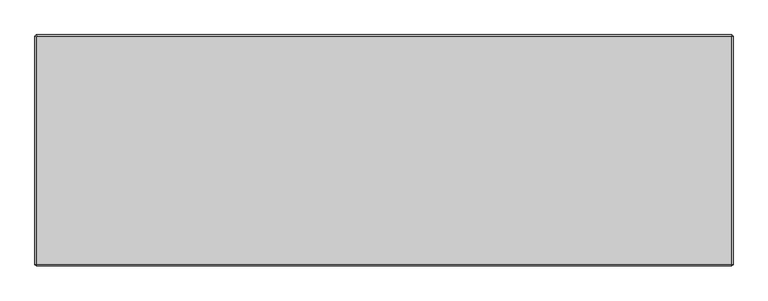
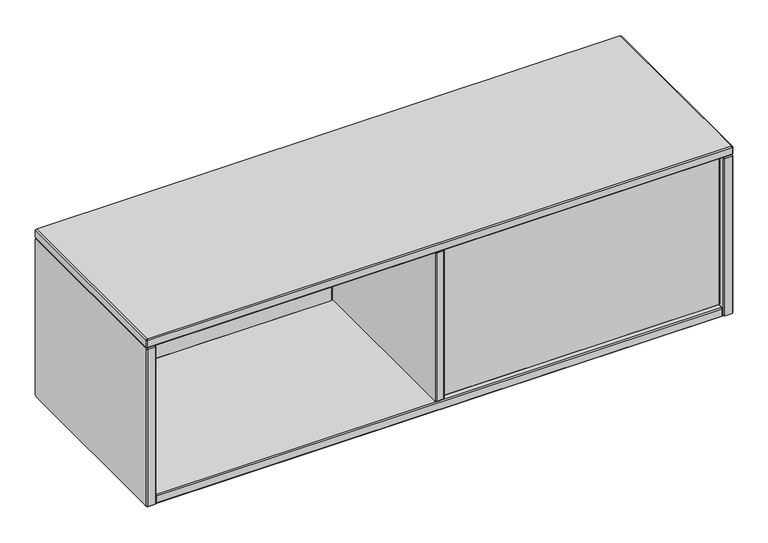
"""IFC4 building model written with IfcOpenShell, lengths in millimetres: furniture geometry."""

from ifc_helpers import new_model, si_unit, origin, place, context, project, spatial, faceted_brep, source, transform, mapped, element, save


def furniture_8cef0e5a(model_context):
    return source(origin(), model_context, "Body", "Brep", [
        faceted_brep([(621.029997, -211.044618, 975.4882749), (623.0620027, -209.0126123, 976.3299592), (623.9093, -209.0126135, 975.4826604), (623.0676165, -211.044618, 973.4506555), (623.0676165, -226.2846087, 973.4506555), (621.029997, -226.2846087, 975.4882749), (623.9093008, -228.3166144, 975.4826612), (623.0620019, -228.3166132, 976.3299584), (1196.6344233, -209.0126135, 975.48266), (1197.4761077, -211.044618, 973.4506555), (1197.4761077, -226.2846087, 973.4506555), (1196.6344233, -228.3166144, 975.4826612), (1197.4830011, -209.0126135, 976.3312373), (1199.515006, -211.044618, 975.4895538), (1199.515006, -226.2846087, 975.4895538), (1197.4830003, -228.3166144, 976.3312381), (1197.4830014, -209.0126135, 1301.0848402), (1199.515006, -211.044618, 1301.9265245), (1199.515006, -226.2846087, 1301.9265245), (1197.4830003, -228.3166144, 1301.0848402), (1196.6357129, -209.0126135, 1301.9321292), (1197.4773964, -211.044618, 1303.9641341), (1197.4773964, -226.2846087, 1303.9641341), (1196.6357121, -228.3166144, 1301.9321284), (623.908012, -209.0126135, 1301.9321295), (623.0663277, -211.044618, 1303.9641341), (623.0663277, -226.2846087, 1303.9641341), (623.908012, -228.3166144, 1301.9321284), (623.0620019, -209.0126135, 1301.0861198), (621.029997, -211.044618, 1301.9278034), (621.029997, -226.2846087, 1301.9278034), (623.0620027, -228.3166144, 1301.086119)], [[[0, 1, 2, 3]], [[0, 3, 4, 5]], [[5, 4, 6, 7]], [[3, 2, 8, 9]], [[4, 3, 9, 10]], [[6, 4, 10, 11]], [[9, 8, 12, 13]], [[10, 9, 13, 14]], [[11, 10, 14, 15]], [[13, 12, 16, 17]], [[14, 13, 17, 18]], [[15, 14, 18, 19]], [[17, 16, 20, 21]], [[18, 17, 21, 22]], [[19, 18, 22, 23]], [[21, 20, 24, 25]], [[22, 21, 25, 26]], [[23, 22, 26, 27]], [[25, 24, 28, 29]], [[26, 25, 29, 30]], [[27, 26, 30, 31]], [[1, 0, 29, 28]], [[0, 5, 30, 29]], [[5, 7, 31, 30]], [[2, 1, 28, 24, 20, 16, 12, 8]], [[7, 6, 11, 15, 19, 23, 27, 31]]]),
        faceted_brep([(19.684994, 148.8452595, 975.4882749), (21.7169997, 150.8772652, 976.3299592), (22.5642978, 150.8772652, 975.4826612), (21.7226135, 148.8452595, 973.4506555), (21.7226135, 133.6052689, 973.4506555), (19.684994, 133.6052689, 975.4882749), (22.5642978, 131.5732632, 975.4826612), (21.7169981, 131.5732654, 976.3299576), (598.8454203, 150.8772652, 975.4826612), (599.6871047, 148.8452595, 973.4506555), (599.6871047, 133.6052689, 973.4506555), (598.8454203, 131.5732632, 975.4826612), (599.6939973, 150.8772652, 976.3312381), (601.726003, 148.8452595, 975.4895538), (601.726003, 133.6052689, 975.4895538), (599.6939973, 131.5732632, 976.3312381), (599.6939973, 150.8772652, 1301.0848402), (601.726003, 148.8452595, 1301.9265245), (601.726003, 133.6052689, 1301.9265245), (599.6939973, 131.5732632, 1301.0848402), (598.8467091, 150.8772652, 1301.9321284), (599.6883934, 148.8452595, 1303.9641341), (599.6883934, 133.6052689, 1303.9641341), (598.8467091, 131.5732632, 1301.9321284), (22.5630091, 150.8772652, 1301.9321284), (21.7213247, 148.8452595, 1303.9641341), (21.7213247, 133.6052689, 1303.9641341), (22.5630091, 131.5732632, 1301.9321284), (21.7169997, 150.8772652, 1301.086119), (19.684994, 148.8452595, 1301.9278034), (19.684994, 133.6052689, 1301.9278034), (21.7169997, 131.5732632, 1301.086119)], [[[0, 1, 2, 3]], [[0, 3, 4, 5]], [[5, 4, 6, 7]], [[3, 2, 8, 9]], [[4, 3, 9, 10]], [[6, 4, 10, 11]], [[9, 8, 12, 13]], [[10, 9, 13, 14]], [[11, 10, 14, 15]], [[13, 12, 16, 17]], [[14, 13, 17, 18]], [[15, 14, 18, 19]], [[17, 16, 20, 21]], [[18, 17, 21, 22]], [[19, 18, 22, 23]], [[21, 20, 24, 25]], [[22, 21, 25, 26]], [[23, 22, 26, 27]], [[25, 24, 28, 29]], [[26, 25, 29, 30]], [[27, 26, 30, 31]], [[1, 0, 29, 28]], [[0, 5, 30, 29]], [[5, 7, 31, 30]], [[2, 1, 28, 24, 20, 16, 12, 8]], [[7, 6, 11, 15, 19, 23, 27, 31]]]),
        faceted_brep([(0.381, 160.1899826, 1301.9321289), (0.381, 161.0359948, 1301.0861167), (0.381, 161.0359948, 959.0585981), (0.381, 158.1641576, 956.1805146), (0.381, -237.6617899, 956.1773915), (0.381, -238.507861, 957.0234626), (0.381, -238.5047378, 1301.0861258), (0.381, -237.6587347, 1301.9321289), (19.6849994, 161.035991, 1301.0861129), (19.6849994, 160.1899788, 1301.9321251), (19.6849994, -237.6587347, 1301.9321235), (19.6849994, -238.504734, 1301.086122), (19.6849994, -238.5047325, 957.0265857), (19.6849994, -237.6649092, 956.1805184), (19.6849994, 158.1610344, 956.1773968), (19.6849994, 161.0391141, 959.0554788), (2.4130052, 163.068, 1301.9278008), (2.4130052, 161.0316667, 1303.9641341), (17.6529888, 161.0316667, 1303.9641341), (17.6529888, 163.068, 1301.9278008), (2.4130052, -238.5004189, 1303.9641341), (17.6529888, -238.5004189, 1303.9641341), (2.4130052, -240.5367431, 1301.9278099), (17.6529888, -240.5367431, 1301.9278099), (2.4130052, -240.5367431, 956.1786553), (17.6529888, -240.5367431, 956.1786553), (2.4130052, -238.503474, 954.1453862), (17.6529888, -238.503474, 954.1453862), (2.4130052, 159.0027185, 954.1453862), (17.6529888, 159.0027185, 954.1453862), (2.4130052, 163.068, 958.2106677), (17.6529888, 163.068, 958.2106677)], [[[0, 1, 2, 3, 4, 5, 6, 7]], [[8, 9, 10, 11, 12, 13, 14, 15]], [[16, 1, 0, 17]], [[16, 17, 18, 19]], [[19, 18, 9, 8]], [[17, 0, 7, 20]], [[18, 17, 20, 21]], [[9, 18, 21, 10]], [[20, 7, 6, 22]], [[21, 20, 22, 23]], [[10, 21, 23, 11]], [[22, 6, 5, 24]], [[23, 22, 24, 25]], [[11, 23, 25, 12]], [[24, 5, 4, 26]], [[25, 24, 26, 27]], [[12, 25, 27, 13]], [[26, 4, 3, 28]], [[27, 26, 28, 29]], [[13, 27, 29, 14]], [[28, 3, 2, 30]], [[29, 28, 30, 31]], [[14, 29, 31, 15]], [[1, 16, 30, 2]], [[16, 19, 31, 30]], [[19, 8, 15, 31]]]),
        faceted_brep([(621.0300073, 159.0039823, 1301.0861094), (621.0300073, 158.1579701, 1301.9321216), (621.0300073, -235.5967084, 1301.9321186), (621.0300073, -236.4427043, 1301.0854873), (621.0300073, -236.4420701, 976.3256086), (621.0300073, -235.5994407, 975.4829835), (621.0300073, 156.1290292, 975.4826709), (621.0300073, 159.0039823, 978.3576283), (601.7253716, 158.157531, 1301.9316824), (601.7253716, 159.0035431, 1301.0856703), (601.7253716, 159.0033582, 978.357621), (601.7253716, 156.1285828, 975.4831071), (601.7253716, -235.5991324, 975.483292), (601.7253716, -236.4413183, 976.3257395), (601.7253716, -236.441449, 1301.0861258), (601.7253716, -235.5959464, 1301.9313668), (603.7580082, 161.0359948, 1301.9278008), (603.7580082, 158.9996615, 1303.9641341), (618.9979918, 158.9996615, 1303.9641341), (618.9979918, 161.0359948, 1301.9278008), (603.7580082, -236.4377614, 1303.9641341), (618.9979918, -236.4377614, 1303.9641341), (603.7580082, -238.4740856, 1301.9278099), (618.9979918, -238.4740856, 1301.9278099), (603.7580082, -238.4740856, 975.4839245), (618.9979918, -238.4740856, 975.4839245), (603.7580082, -236.4408165, 973.4506555), (618.9979918, -236.4408165, 973.4506555), (603.7580082, 156.9707133, 973.4506555), (618.9979918, 156.9707133, 973.4506555), (603.7580082, 161.0359948, 977.5159369), (618.9979918, 161.0359948, 977.5159369)], [[[0, 1, 2, 3, 4, 5, 6, 7]], [[8, 9, 10, 11, 12, 13, 14, 15]], [[16, 9, 8, 17]], [[16, 17, 18, 19]], [[19, 18, 1, 0]], [[17, 8, 15, 20]], [[18, 17, 20, 21]], [[1, 18, 21, 2]], [[20, 15, 14, 22]], [[21, 20, 22, 23]], [[2, 21, 23, 3]], [[22, 14, 13, 24]], [[23, 22, 24, 25]], [[3, 23, 25, 4]], [[24, 13, 12, 26]], [[25, 24, 26, 27]], [[4, 25, 27, 5]], [[26, 12, 11, 28]], [[27, 26, 28, 29]], [[5, 27, 29, 6]], [[28, 11, 10, 30]], [[29, 28, 30, 31]], [[6, 29, 31, 7]], [[9, 16, 30, 10]], [[16, 19, 31, 30]], [[19, 0, 7, 31]]]),
        faceted_brep([(1216.7869948, 163.0679927, 1301.9277978), (1201.5470112, 163.0679927, 1301.9277978), (1201.5470112, 161.0316637, 1303.9641268), (1216.7869948, 161.0316637, 1303.9641268), (1201.5470112, -238.5004158, 1303.9641268), (1216.7869948, -238.5004158, 1303.9641268), (1201.5470112, -240.5367358, 1301.9278069), (1216.7869948, -240.5367358, 1301.9278069), (1201.5470112, -240.5367358, 956.1730446), (1216.7869948, -240.5367358, 956.1730446), (1201.5470112, -238.503471, 954.1397798), (1216.7869948, -238.503471, 954.1397798), (1201.5470112, 159.0027155, 954.1397798), (1216.7869948, 159.0027155, 954.1397798), (1201.5470112, 163.0679927, 958.205057), (1216.7869948, 163.0679927, 958.205057), (1218.819, 160.1899796, 1301.9321216), (1218.819, 161.0359875, 1301.0861137), (1199.515006, 161.0359875, 1301.0861137), (1199.5150097, 160.1899822, 1301.9321242), (1218.819, -237.6587317, 1301.9321216), (1199.5150097, -237.6587317, 1301.9321253), (1218.819, -238.5047305, 1301.0861227), (1199.5150097, -238.5047332, 1301.0861254), (1218.819, -238.5047305, 957.0147287), (1199.5150097, -238.5047343, 957.0147287), (1218.819, -237.6617868, 956.171785), (1199.5150097, -237.6617895, 956.1717824), (1218.819, 158.1610314, 956.171785), (1199.5150097, 158.1610314, 956.1717813), (1218.819, 161.0359875, 959.0467411), (1199.5150097, 161.0359901, 959.0467385)], [[[0, 1, 2, 3]], [[3, 2, 4, 5]], [[5, 4, 6, 7]], [[7, 6, 8, 9]], [[9, 8, 10, 11]], [[11, 10, 12, 13]], [[13, 12, 14, 15]], [[1, 0, 15, 14]], [[0, 3, 16, 17]], [[2, 1, 18, 19]], [[3, 5, 20, 16]], [[4, 2, 19, 21]], [[5, 7, 22, 20]], [[6, 4, 21, 23]], [[7, 9, 24, 22]], [[8, 6, 23, 25]], [[9, 11, 26, 24]], [[10, 8, 25, 27]], [[11, 13, 28, 26]], [[12, 10, 27, 29]], [[13, 15, 30, 28]], [[14, 12, 29, 31]], [[15, 0, 17, 30]], [[1, 14, 31, 18]], [[19, 18, 31, 29, 27, 25, 23, 21]], [[17, 16, 20, 22, 24, 26, 28, 30]]]),
        faceted_brep([(2.4142691, 160.1937872, 1303.9641341), (0.381, 161.0359948, 1305.9974031), (2.4130052, 163.068, 1305.9974031), (3.2552128, 161.0347309, 1303.9641341), (0.381, 161.0359948, 1321.2305205), (2.4142691, 160.1937872, 1323.2637895), (3.2552128, 161.0347309, 1323.2637895), (2.4130052, 163.068, 1321.2305205), (1216.7869875, 163.068, 1305.9974031), (1215.9447799, 161.0347309, 1303.9641341), (1215.9447799, 161.0347309, 1323.2637895), (1216.7869875, 163.068, 1321.2305205), (1218.819, 161.0359875, 1305.9974031), (1216.7857309, 160.1937799, 1303.9641341), (1216.7857309, 160.1937799, 1323.2637895), (1218.819, 161.0359875, 1321.2305205), (1218.819, -238.5047363, 1305.9974031), (1216.7857309, -237.6625286, 1303.9641341), (1216.7857309, -237.6625286, 1323.2637895), (1218.819, -238.5047363, 1321.2305205), (1216.7869932, -240.5367431, 1305.9974031), (1215.9447856, -238.503474, 1303.9641341), (1215.9447856, -238.503474, 1323.2637895), (1216.7869932, -240.5367431, 1321.2305205), (2.413, -240.5367431, 1305.9974031), (3.2552076, -238.503474, 1303.9641341), (3.2552076, -238.503474, 1323.2637895), (2.413, -240.5367431, 1321.2305205), (0.381, -238.5047431, 1305.9974031), (2.4142691, -237.6625355, 1303.9641341), (2.4142691, -237.6625355, 1323.2637895), (0.381, -238.5047431, 1321.2305205)], [[[0, 1, 2, 3]], [[4, 5, 6, 7]], [[2, 1, 4, 7]], [[3, 2, 8, 9]], [[7, 6, 10, 11]], [[2, 7, 11, 8]], [[9, 8, 12, 13]], [[11, 10, 14, 15]], [[8, 11, 15, 12]], [[13, 12, 16, 17]], [[15, 14, 18, 19]], [[12, 15, 19, 16]], [[17, 16, 20, 21]], [[19, 18, 22, 23]], [[16, 19, 23, 20]], [[21, 20, 24, 25]], [[23, 22, 26, 27]], [[20, 23, 27, 24]], [[25, 24, 28, 29]], [[27, 26, 30, 31]], [[24, 27, 31, 28]], [[1, 0, 29, 28]], [[5, 4, 31, 30]], [[4, 1, 28, 31]], [[6, 5, 30, 26, 22, 18, 14, 10]], [[0, 3, 9, 13, 17, 21, 25, 29]]]),
        faceted_brep([(21.7182631, 160.1937872, 954.151), (19.684994, 161.0359948, 956.1842691), (21.7169992, 163.068, 956.1842691), (22.5592069, 161.0347309, 954.151), (19.684994, 161.0359948, 971.4173864), (21.7182631, 160.1937872, 973.4506555), (22.5631764, 161.0307614, 973.4562692), (21.7169992, 163.068, 971.4173864), (1197.4829972, 163.068, 956.1842691), (1196.6407896, 161.0347309, 954.151), (1196.6407896, 161.0291172, 973.4562692), (1197.4829972, 163.068, 971.4173864), (1199.5150097, 161.0359875, 956.1842691), (1197.4817406, 160.1937799, 954.151), (1197.4777711, 160.1898103, 973.4562692), (1199.5150097, 161.0359875, 971.4173864), (1199.5150097, -236.4420788, 956.1842691), (1197.4817406, -235.5998711, 954.151), (1197.4761269, -235.5998711, 973.4562692), (1199.5150097, -236.4420788, 971.4173864), (1197.4830029, -238.4740856, 956.1842691), (1196.6407953, -236.4408165, 954.151), (1196.6368258, -236.436847, 973.4562692), (1197.4830029, -238.4740856, 971.4173864), (21.716994, -238.4740856, 956.1842691), (22.5592016, -236.4408165, 954.151), (22.5592016, -236.4352027, 973.4562692), (21.716994, -238.4740856, 971.4173864), (19.684994, -236.4420856, 956.1842691), (21.7182631, -235.599878, 954.151), (21.7222326, -235.5959084, 973.4562692), (19.684994, -236.4420856, 971.4173864)], [[[0, 1, 2, 3]], [[4, 5, 6, 7]], [[2, 1, 4, 7]], [[3, 2, 8, 9]], [[7, 6, 10, 11]], [[2, 7, 11, 8]], [[9, 8, 12, 13]], [[11, 10, 14, 15]], [[8, 11, 15, 12]], [[13, 12, 16, 17]], [[15, 14, 18, 19]], [[12, 15, 19, 16]], [[17, 16, 20, 21]], [[19, 18, 22, 23]], [[16, 19, 23, 20]], [[21, 20, 24, 25]], [[23, 22, 26, 27]], [[20, 23, 27, 24]], [[25, 24, 28, 29]], [[27, 26, 30, 31]], [[24, 27, 31, 28]], [[1, 0, 29, 28]], [[5, 4, 31, 30]], [[4, 1, 28, 31]], [[6, 5, 30, 26, 22, 18, 14, 10]], [[0, 3, 9, 13, 17, 21, 25, 29]]]),
    ])


if __name__ == "__main__":
    model = new_model("IFC4")
    model_context = context("Model", 3, world=origin())
    ifc_project = project(units=[si_unit("LENGTHUNIT", "METRE", prefix="MILLI")], contexts=[model_context])
    site = spatial("IfcSite", under=ifc_project)
    building = spatial("IfcBuilding", under=site)
    placement = place(None, origin())
    furniture_shape = furniture_8cef0e5a(model_context)
    element("IfcFurniture", 1, at=placement, inside=building, context=model_context, shape_type="MappedRepresentation", body=[
        mapped(furniture_shape, transform((0.0, 0.0, 0.0), x_axis=(1.0, 0.0, 0.0), y_axis=(0.0, 1.0, 0.0), z_axis=(0.0, 0.0, 1.0))),
    ])
    save(model, "model.ifc")
